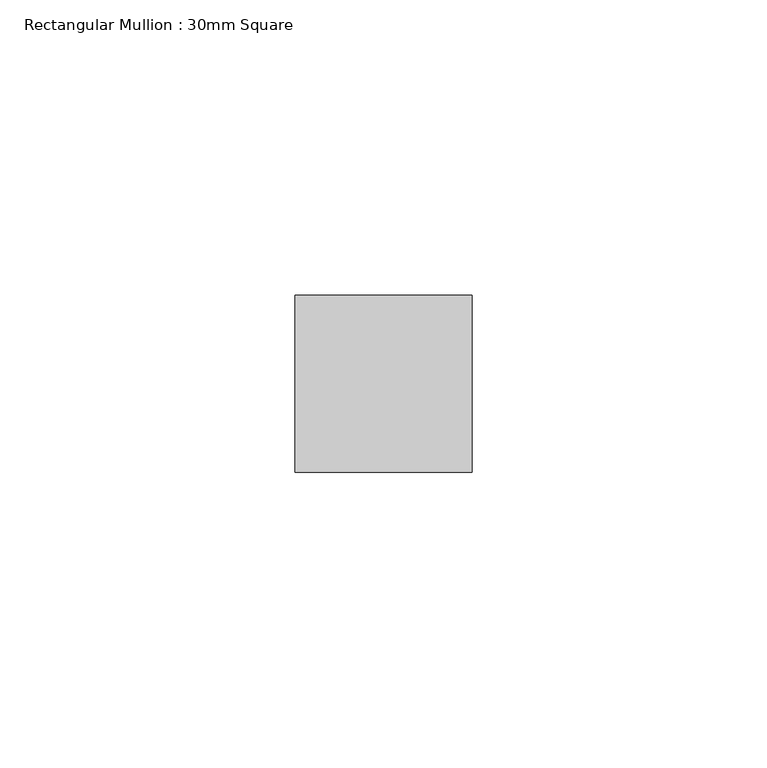
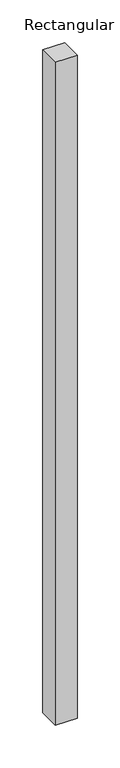
"""IFC4 building model written with IfcOpenShell, lengths in millimetres: member geometry, Rectangular Mullion : 30mm Square."""

from ifc_helpers import new_model, si_unit, frame, origin, place, context, project, spatial, polyline, outline, extrude, source, transform, mapped, element, save


def rectangular_mullion_30mm_square_bdc33c8b(model_context):
    return source(origin(), model_context, "Body", "SweptSolid", [
        extrude(outline(polyline([(0.0, 15.0), (0.0, -15.0), (-30.0, -15.0), (-30.0, 15.0), (0.0, 15.0)])), frame((0.0, 0.0, -951.9338703), z_axis=(0.0, 0.0, 1.0), x_axis=(1.0, 0.0, 0.0)), (0.0, 0.0, 1.0), 951.9338703),
    ])


if __name__ == "__main__":
    model = new_model("IFC4")
    model_context = context("Model", 3, world=origin())
    ifc_project = project(units=[si_unit("LENGTHUNIT", "METRE", prefix="MILLI")], contexts=[model_context])
    site = spatial("IfcSite", under=ifc_project)
    building = spatial("IfcBuilding", under=site)
    placement = place(None, origin())
    rectangular_mullion_30mm_square_shape = rectangular_mullion_30mm_square_bdc33c8b(model_context)
    element("IfcMember", 1, ObjectType="Rectangular Mullion : 30mm Square", at=placement, inside=building, context=model_context, shape_type="MappedRepresentation", body=[
        mapped(rectangular_mullion_30mm_square_shape, transform((0.0, 0.0, 0.0), x_axis=(1.0, 0.0, 0.0), y_axis=(0.0, 1.0, 0.0), z_axis=(0.0, 0.0, 1.0))),
    ])
    save(model, "model.ifc")
